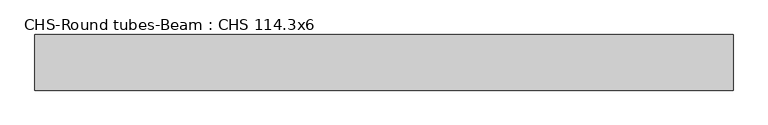
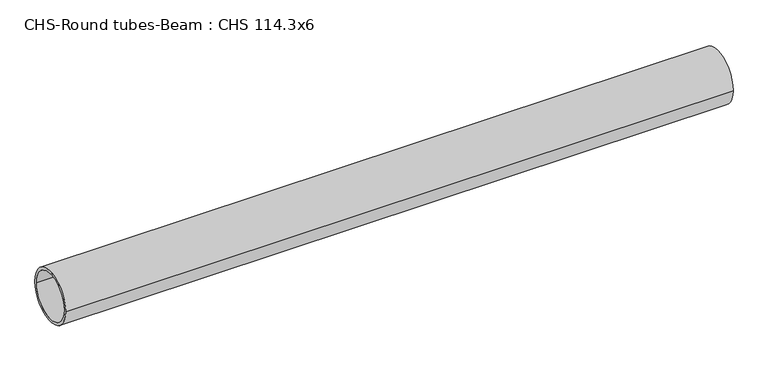
"""IFC4 building model written with IfcOpenShell, lengths in millimetres: beam geometry, CHS-Round tubes-Beam : CHS 114.3x6."""

from ifc_helpers import new_model, si_unit, point, frame, origin, origin_2d, place, context, project, spatial, circle_curve, trimmed, segment, composite_curve, outline, extrude, source, transform, mapped, element, save


def chs_round_tubes_beam_chs_114_3x6_4dda984f(model_context):
    return source(origin(), model_context, "Body", "SweptSolid", [
        extrude(outline(composite_curve([segment(trimmed(circle_curve(origin_2d(), 57.15), [point((57.15, 0.0))], [point((-57.15, 0.0))], False, "CARTESIAN"), True, "CONTINUOUS"), segment(trimmed(circle_curve(origin_2d(), 57.15), [point((-57.15, 0.0))], [point((57.15, 0.0))], False, "CARTESIAN"), True, "CONTINUOUS")], self_intersect=False), holes=[composite_curve([segment(trimmed(circle_curve(origin_2d(), 51.15), [point((51.15, 0.0))], [point((-51.15, 0.0))], True, "CARTESIAN"), True, "CONTINUOUS"), segment(trimmed(circle_curve(origin_2d(), 51.15), [point((-51.15, 0.0))], [point((51.15, 0.0))], True, "CARTESIAN"), True, "CONTINUOUS")], self_intersect=False)]), frame((-702.0914916, 0.0, 0.0), z_axis=(1.0, 0.0, 0.0), x_axis=(0.0, 1.0, 0.0)), (0.0, 0.0, 1.0), 1434.4856155),
    ])


if __name__ == "__main__":
    model = new_model("IFC4")
    model_context = context("Model", 3, world=origin())
    ifc_project = project(units=[si_unit("LENGTHUNIT", "METRE", prefix="MILLI")], contexts=[model_context])
    site = spatial("IfcSite", under=ifc_project)
    building = spatial("IfcBuilding", under=site)
    placement = place(None, origin())
    chs_round_tubes_beam_chs_114_3x6_shape = chs_round_tubes_beam_chs_114_3x6_4dda984f(model_context)
    element("IfcBeam", 1, ObjectType="CHS-Round tubes-Beam : CHS 114.3x6", at=placement, inside=building, context=model_context, shape_type="MappedRepresentation", body=[
        mapped(chs_round_tubes_beam_chs_114_3x6_shape, transform((0.0, 0.0, 0.0), x_axis=(1.0, 0.0, 0.0), y_axis=(0.0, 1.0, 0.0), z_axis=(0.0, 0.0, 1.0))),
    ])
    save(model, "model.ifc")
